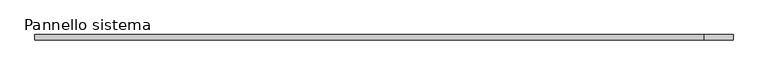
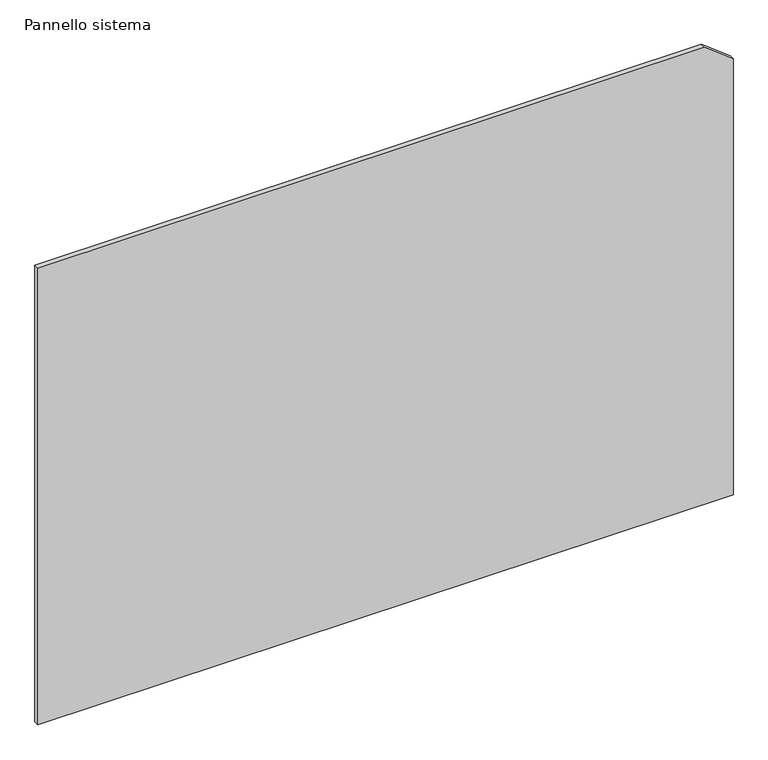
"""IFC4 building model written with IfcOpenShell, lengths in millimetres: plate geometry, Pannello sistema."""

from ifc_helpers import new_model, si_unit, frame, origin, place, context, project, spatial, polyline, outline, extrude, source, transform, mapped, element, save


def pannello_sistema_0f262908(model_context):
    return source(origin(), model_context, "Body", "SweptSolid", [
        extrude(outline(polyline([(0.0, -1625.0), (0.0, 1625.0), (2153.8805667, 1625.0), (2256.8016071, 1491.2817429), (2256.8016071, -1625.0), (0.0, -1625.0)])), frame((0.0, -12.5, 0.0), z_axis=(0.0, 1.0, 0.0), x_axis=(0.0, 0.0, 1.0)), (0.0, 0.0, 1.0), 25.0),
    ])


if __name__ == "__main__":
    model = new_model("IFC4")
    model_context = context("Model", 3, world=origin())
    ifc_project = project(units=[si_unit("LENGTHUNIT", "METRE", prefix="MILLI")], contexts=[model_context])
    site = spatial("IfcSite", under=ifc_project)
    building = spatial("IfcBuilding", under=site)
    placement = place(None, origin())
    pannello_sistema_shape = pannello_sistema_0f262908(model_context)
    element("IfcPlate", 1, ObjectType="Pannello sistema", at=placement, inside=building, context=model_context, shape_type="MappedRepresentation", body=[
        mapped(pannello_sistema_shape, transform((0.0, 0.0, 0.0), x_axis=(1.0, 0.0, 0.0), y_axis=(0.0, 1.0, 0.0), z_axis=(0.0, 0.0, 1.0))),
    ])
    save(model, "model.ifc")
